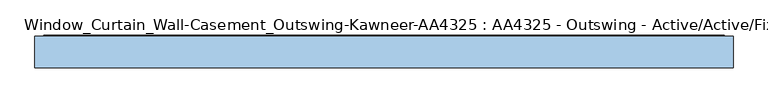
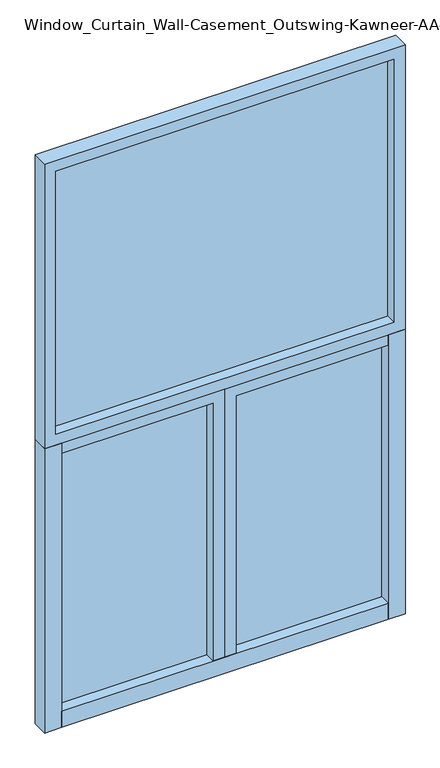
"""IFC4 building model written with IfcOpenShell, lengths in millimetres: window geometry, Window_Curtain_Wall-Casement_Outswing-Kawneer-AA4325 : AA4325 - Outswing - Active/Active/Fixed-Top."""

from ifc_helpers import new_model, si_unit, frame, origin, origin_with_axes, place, context, project, spatial, polyline, outline, extrude, source, transform, mapped, element, save


def window_curtain_wall_casement_outswing_kawneer_aa4325_aa4325_0fd5a1ec(model_context):
    return source(origin(), model_context, "Body", "SweptSolid", [
        extrude(outline(polyline([(3048.0, 914.4), (3048.0, -914.4), (1524.0, -914.4), (1524.0, 914.4), (3048.0, 914.4)]), holes=[polyline([(2990.85, 857.25), (1581.15, 857.25), (1581.15, -857.25), (2990.85, -857.25), (2990.85, 857.25)])]), frame((0.0, -41.275, 0.0), z_axis=(0.0, 1.0, 0.0), x_axis=(0.0, 0.0, 1.0)), (0.0, 0.0, 1.0), 82.55),
        extrude(outline(polyline([(25.4, -891.38125), (25.4, 0.0), (1524.0, 0.0), (1524.0, -891.38125), (25.4, -891.38125)]), holes=[polyline([(1464.46875, -831.85), (1464.46875, -59.53125), (84.93125, -59.53125), (84.93125, -831.85), (1464.46875, -831.85)])]), frame((0.0, -38.1, 0.0), z_axis=(0.0, 1.0, 0.0), x_axis=(0.0, 0.0, 1.0)), (0.0, 0.0, 1.0), 82.55),
        extrude(outline(polyline([(1524.0, 891.38125), (1524.0, 0.0), (25.4, 0.0), (25.4, 891.38125), (1524.0, 891.38125)]), holes=[polyline([(84.93125, 831.85), (84.93125, 59.53125), (1464.46875, 59.53125), (1464.46875, 831.85), (84.93125, 831.85)])]), frame((0.0, -38.1, 0.0), z_axis=(0.0, 1.0, 0.0), x_axis=(0.0, 0.0, 1.0)), (0.0, 0.0, 1.0), 82.55),
        extrude(outline(polyline([(-857.25, 12.7), (-857.25, 38.1), (857.25, 38.1), (857.25, 12.7), (-857.25, 12.7)])), frame((0.0, 0.0, 1581.15), z_axis=(0.0, 0.0, 1.0), x_axis=(1.0, 0.0, 0.0)), (0.0, 0.0, 1.0), 1409.7),
        extrude(outline(polyline([(59.53125, 15.875), (59.53125, 41.275), (831.85, 41.275), (831.85, 15.875), (59.53125, 15.875)])), frame((0.0, 0.0, 84.93125), z_axis=(0.0, 0.0, 1.0), x_axis=(1.0, 0.0, 0.0)), (0.0, 0.0, 1.0), 1379.5375),
        extrude(outline(polyline([(-831.85, 15.875), (-831.85, 41.275), (-59.53125, 41.275), (-59.53125, 15.875), (-831.85, 15.875)])), frame((0.0, 0.0, 84.93125), z_axis=(0.0, 0.0, 1.0), x_axis=(1.0, 0.0, 0.0)), (0.0, 0.0, 1.0), 1379.5375),
        extrude(outline(polyline([(828.675, 41.275), (828.675, -41.275), (-828.675, -41.275), (-828.675, 41.275), (828.675, 41.275)])), origin_with_axes(), (0.0, 0.0, 1.0), 85.725),
        extrude(outline(polyline([(-914.4, -41.275), (-914.4, 41.275), (-828.675, 41.275), (-828.675, -41.275), (-914.4, -41.275)])), origin_with_axes(), (0.0, 0.0, 1.0), 1524.0),
        extrude(outline(polyline([(914.4, -41.275), (828.675, -41.275), (828.675, 41.275), (914.4, 41.275), (914.4, -41.275)])), origin_with_axes(), (0.0, 0.0, 1.0), 1524.0),
    ])


if __name__ == "__main__":
    model = new_model("IFC4")
    model_context = context("Model", 3, world=origin())
    ifc_project = project(units=[si_unit("LENGTHUNIT", "METRE", prefix="MILLI")], contexts=[model_context])
    site = spatial("IfcSite", under=ifc_project)
    building = spatial("IfcBuilding", under=site)
    placement = place(None, origin())
    window_curtain_wall_casement_outswing_kawneer_aa4325_aa4325_shape = window_curtain_wall_casement_outswing_kawneer_aa4325_aa4325_0fd5a1ec(model_context)
    element("IfcWindow", 1, ObjectType="Window_Curtain_Wall-Casement_Outswing-Kawneer-AA4325 : AA4325 - Outswing - Active/Active/Fixed-Top", at=placement, inside=building, context=model_context, shape_type="MappedRepresentation", body=[
        mapped(window_curtain_wall_casement_outswing_kawneer_aa4325_aa4325_shape, transform((0.0, 0.0, 0.0), x_axis=(1.0, 0.0, 0.0), y_axis=(0.0, 1.0, 0.0), z_axis=(0.0, 0.0, 1.0))),
    ])
    save(model, "model.ifc")
